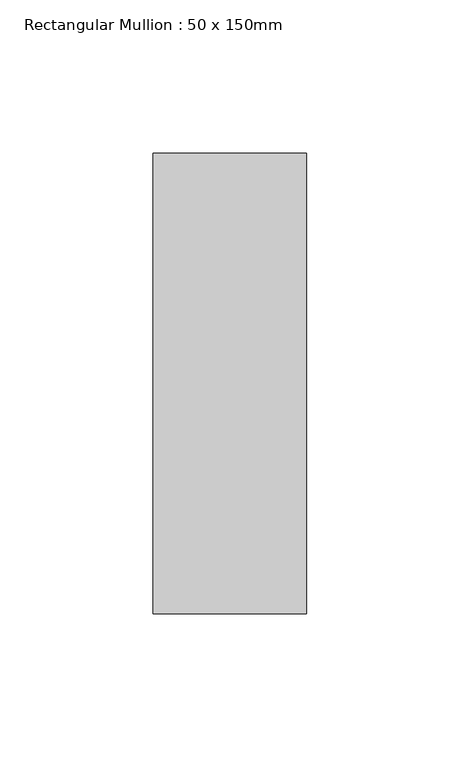
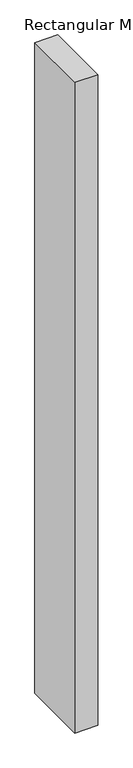
"""IFC4 building model written with IfcOpenShell, lengths in millimetres: member geometry, Rectangular Mullion : 50 x 150mm."""

import ifcopenshell
import ifcopenshell.guid

model = None  # the IFC model being written
_history = None  # IfcOwnerHistory: only IFC2X3 demands one
_inside = {}  # id of a spatial element -> (the spatial element, [elements in it])
_under = {}  # id of a project, library or spatial element -> (it, [spatial elements below it])
_declared = {}  # id of a project -> (the project, [libraries it declares])
_typed = {}  # id of a type object -> (the type object, [elements of that type])
_made_of = {}  # id of a material, layer set ... -> (it, [elements and type objects made of it])


def new_model(schema):
    """Start an empty IFC model of exactly this schema.

    Asked for "IFC4X3", IfcOpenShell would pick the latest addendum, in which some entities
    have other attributes; the version numbers below select the first issue.
    IFC2X3 requires an IfcOwnerHistory on every rooted entity: one is made here for all.
    """
    global model, _history
    if schema == "IFC4X3":
        model = ifcopenshell.file(schema_version=(4, 3, 0, 0))
    else:
        model = ifcopenshell.file(schema=schema)
    _inside.clear()
    _under.clear()
    _declared.clear()
    _typed.clear()
    _made_of.clear()
    _history = None
    if model.schema == "IFC2X3":
        org = make("IfcOrganization", Name="unknown")
        user = make(
            "IfcPersonAndOrganization",
            ThePerson=make("IfcPerson", FamilyName="unknown"),
            TheOrganization=org,
        )
        app = make(
            "IfcApplication",
            ApplicationDeveloper=org,
            Version="unknown",
            ApplicationFullName="unknown",
            ApplicationIdentifier="unknown",
        )
        _history = make(
            "IfcOwnerHistory",
            OwningUser=user,
            OwningApplication=app,
            ChangeAction="ADDED",
            CreationDate=0,
        )
    return model


def make(cls, **values):
    """One entity of the class cls with the attributes given. An attribute that is None is left unset."""
    return model.create_entity(
        cls, **{name: value for name, value in values.items() if value is not None}
    )


def rooted(cls, **values):
    """An entity with a GlobalId (a new one), such as an element, a storey or a relation."""
    return make(cls, GlobalId=ifcopenshell.guid.new(), OwnerHistory=_history, **values)


def si_unit(unit_type, name, prefix=None):
    """IfcSIUnit, for example si_unit("LENGTHUNIT", "METRE", prefix="MILLI")."""
    return make("IfcSIUnit", UnitType=unit_type, Prefix=prefix, Name=name)


def assignment(units):
    """IfcUnitAssignment: the units of a project."""
    return None if units is None else make("IfcUnitAssignment", Units=units)


def point(xyz):
    """IfcCartesianPoint."""
    return None if xyz is None else make("IfcCartesianPoint", Coordinates=xyz)


def direction(xyz):
    """IfcDirection."""
    return None if xyz is None else make("IfcDirection", DirectionRatios=xyz)


def frame(location, z_axis=None, x_axis=None):
    """IfcAxis2Placement3D, a coordinate frame: its origin and axes. An axis left out is left unset."""
    return make(
        "IfcAxis2Placement3D",
        Location=point(location),
        Axis=direction(z_axis),
        RefDirection=direction(x_axis),
    )


def origin():
    """The frame at (0, 0, 0) with its axes left unset."""
    return frame((0.0, 0.0, 0.0))


def place(relative_to, where):
    """IfcLocalPlacement: puts the frame where relative to a parent placement (None: the world)."""
    return make(
        "IfcLocalPlacement", PlacementRelTo=relative_to, RelativePlacement=where
    )


def context(
    kind, dimensions, precision=None, world=None, true_north=None, identifier=None
):
    """IfcGeometricRepresentationContext, for example the 3D "Model" context."""
    return make(
        "IfcGeometricRepresentationContext",
        ContextIdentifier=identifier,
        ContextType=kind,
        CoordinateSpaceDimension=dimensions,
        Precision=precision,
        WorldCoordinateSystem=world,
        TrueNorth=true_north,
    )


def project(units=None, contexts=None):
    """IfcProject with its units and contexts."""
    return rooted(
        "IfcProject",
        Name="project",
        RepresentationContexts=contexts,
        UnitsInContext=assignment(units),
    )


def spatial(cls, under=None, at=None, **own):
    """A site, building, storey or space (cls), placed at a placement, below another one or the project."""
    s = rooted(cls, ObjectPlacement=at, **own)
    if under is not None:
        _under.setdefault(under.id(), (under, []))[1].append(s)
    return s


def polyline(points):
    """IfcPolyline through the points."""
    return make("IfcPolyline", Points=[point(p) for p in points])


def outline(outer, holes=None, kind="AREA"):
    """IfcArbitraryClosedProfileDef: a profile drawn as a closed curve; with holes, ...WithVoids."""
    if holes is None:
        return make("IfcArbitraryClosedProfileDef", ProfileType=kind, OuterCurve=outer)
    return make(
        "IfcArbitraryProfileDefWithVoids",
        ProfileType=kind,
        OuterCurve=outer,
        InnerCurves=holes,
    )


def extrude(swept, where, along, depth):
    """IfcExtrudedAreaSolid: the profile swept, set in the frame where, extruded along a direction by depth."""
    return make(
        "IfcExtrudedAreaSolid",
        SweptArea=swept,
        Position=where,
        ExtrudedDirection=direction(along),
        Depth=depth,
    )


def shape(context_of_items, identifier, shape_type, items):
    """IfcShapeRepresentation: the items that make up one representation, for example the "Body"."""
    return make(
        "IfcShapeRepresentation",
        ContextOfItems=context_of_items,
        RepresentationIdentifier=identifier,
        RepresentationType=shape_type,
        Items=items,
    )


def source(mapping_origin, context_of_items, identifier, shape_type, items):
    """IfcRepresentationMap: a shape defined once, which mapped items show again and again."""
    return make(
        "IfcRepresentationMap",
        MappingOrigin=mapping_origin,
        MappedRepresentation=shape(context_of_items, identifier, shape_type, items),
    )


def transform(
    local_origin,
    x_axis=None,
    y_axis=None,
    z_axis=None,
    scale=None,
    scale2=None,
    scale3=None,
    uniform=True,
):
    """IfcCartesianTransformationOperator3D, or its non-uniform kind. x_axis, y_axis, z_axis: its Axis1, 2, 3."""
    if uniform:
        return make(
            "IfcCartesianTransformationOperator3D",
            Axis1=direction(x_axis),
            Axis2=direction(y_axis),
            LocalOrigin=point(local_origin),
            Scale=scale,
            Axis3=direction(z_axis),
        )
    return make(
        "IfcCartesianTransformationOperator3DnonUniform",
        Axis1=direction(x_axis),
        Axis2=direction(y_axis),
        LocalOrigin=point(local_origin),
        Scale=scale,
        Axis3=direction(z_axis),
        Scale2=scale2,
        Scale3=scale3,
    )


def mapped(mapping_source, mapping_target):
    """IfcMappedItem: shows the shape of a source again, moved by a transform."""
    return make(
        "IfcMappedItem", MappingSource=mapping_source, MappingTarget=mapping_target
    )


def made_of(thing, what):
    """Note that an element or type object is made of a material, layer set ...; save() writes the relation."""
    if what is not None:
        _made_of.setdefault(what.id(), (what, []))[1].append(thing)
    return thing


def element(
    cls,
    number,
    at=None,
    inside=None,
    cuts=None,
    type_object=None,
    material=None,
    context=None,
    identifier="Body",
    shape_type=None,
    held_by="IfcProductDefinitionShape",
    body=None,
    shapes=None,
    **own,
):
    """One element of the class cls, such as IfcWall. Its Tag is "e" and its number.

    at: its placement. inside: the storey or other place that contains it. cuts: it is an
    opening in that element (IfcRelVoidsElement). A single representation is given by context,
    identifier, shape_type and body (its items); several are given by shapes. held_by: the class
    of the entity that holds the representations. save() writes the other relations.
    """
    e = rooted(cls, Tag="e%d" % number, ObjectPlacement=at, **own)
    if body is not None:
        shapes = [shape(context, identifier, shape_type, body)]
    if shapes is not None:
        e.Representation = make(held_by, Representations=shapes)
    if inside is not None:
        _inside.setdefault(inside.id(), (inside, []))[1].append(e)
    if cuts is not None:
        rooted(
            "IfcRelVoidsElement", RelatingBuildingElement=cuts, RelatedOpeningElement=e
        )
    if type_object is not None:
        _typed.setdefault(type_object.id(), (type_object, []))[1].append(e)
    return made_of(e, material)


def aggregate(whole, parts):
    """IfcRelAggregates: a whole, such as a stair, and the parts it consists of."""
    return rooted("IfcRelAggregates", RelatingObject=whole, RelatedObjects=parts)


def save(model, path):
    """Write the relations noted so far, then the file.

    IfcRelAggregates (storeys below a building ...), IfcRelContainedInSpatialStructure (elements
    in a storey), IfcRelDefinesByType, IfcRelAssociatesMaterial and IfcRelDeclares: one each for
    every whole, place, type object, material and project.
    """
    for whole, parts in _under.values():
        aggregate(whole, parts)
    for where, things in _inside.values():
        rooted(
            "IfcRelContainedInSpatialStructure",
            RelatedElements=things,
            RelatingStructure=where,
        )
    for kind, things in _typed.values():
        rooted("IfcRelDefinesByType", RelatedObjects=things, RelatingType=kind)
    for what, things in _made_of.values():
        rooted("IfcRelAssociatesMaterial", RelatedObjects=things, RelatingMaterial=what)
    for by, libraries in _declared.values():
        rooted("IfcRelDeclares", RelatingContext=by, RelatedDefinitions=libraries)
    model.write(path)


def rectangular_mullion_50_x_150mm_73021700(model_context):
    return source(origin(), model_context, "Body", "SweptSolid", [
        extrude(outline(polyline([(25.0, 75.0), (25.0, -75.0), (-25.0, -75.0), (-25.0, 75.0), (25.0, 75.0)])), frame((0.0, 0.0, -1494.9500293), z_axis=(0.0, 0.0, 1.0), x_axis=(1.0, 0.0, 0.0)), (0.0, 0.0, 1.0), 1494.9500293),
    ])


if __name__ == "__main__":
    model = new_model("IFC4")
    model_context = context("Model", 3, world=origin())
    ifc_project = project(units=[si_unit("LENGTHUNIT", "METRE", prefix="MILLI")], contexts=[model_context])
    site = spatial("IfcSite", under=ifc_project)
    building = spatial("IfcBuilding", under=site)
    placement = place(None, origin())
    rectangular_mullion_50_x_150mm_shape = rectangular_mullion_50_x_150mm_73021700(model_context)
    element("IfcMember", 1, ObjectType="Rectangular Mullion : 50 x 150mm", at=placement, inside=building, context=model_context, shape_type="MappedRepresentation", body=[
        mapped(rectangular_mullion_50_x_150mm_shape, transform((0.0, 0.0, 0.0), x_axis=(1.0, 0.0, 0.0), y_axis=(0.0, 1.0, 0.0), z_axis=(0.0, 0.0, 1.0))),
    ])
    save(model, "model.ifc")
